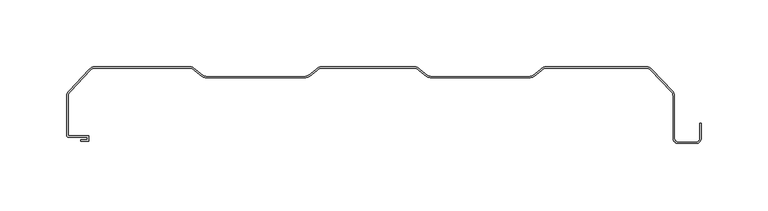
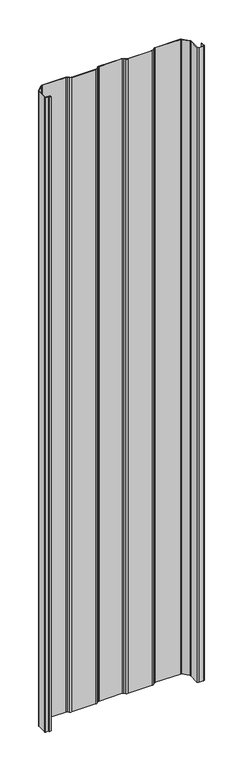
"""IFC4 building model written with IfcOpenShell, lengths in millimetres: proxy geometry."""

from ifc_helpers import new_model, si_unit, frame, origin, place, context, project, spatial, polyline, circle_curve, source, transform, mapped, element, save
from ifc_brep_helpers import plane_surface, cylinder_surface, revolved_surface, advanced_brep


def generic_models_20bece6d(model_context):
    return source(origin(), model_context, "Body", "AdvancedBrep", [
        advanced_brep(
        [(-217.1638134, -55.7125, 0.0), (-217.1638134, -55.7125, 2000.0), (-217.1638134, -54.7125, 2000.0), (-217.1638134, -54.7125, 0.0), (-212.15, -54.7125, 2000.0), (-212.15, -54.7125, 0.0), (-211.15, -55.7125, 0.0), (-211.15, -55.7125, 2000.0), (-212.15, -52.6625, 2000.0), (-212.15, -52.6625, 0.0), (-211.15, -51.6625, 0.0), (-211.15, -51.6625, 2000.0), (-226.2, -52.6625, 2000.0), (-226.2, -52.6625, 0.0), (-226.2, -51.6625, 0.0), (-226.2, -51.6625, 2000.0), (-227.5, -51.3625, 2000.0), (-227.5, -51.3625, 0.0), (-226.5, -51.3625, 0.0), (-226.5, -51.3625, 2000.0), (-227.5, -21.9923882, 2000.0), (-227.5, -21.9923882, 0.0), (-226.5, -21.9923882, 0.0), (-226.5, -21.9923882, 2000.0), (-225.8012193, -17.8911688, 2000.0), (-225.8012193, -17.8911688, 0.0), (-225.0941125, -18.5982756, 0.0), (-225.0941125, -18.5982756, 2000.0), (-210.6088312, -1.6987807, 2000.0), (-210.6088312, -1.6987807, 0.0), (-209.8795642, -2.38301, 0.0), (-209.8795642, -2.38301, 2000.0), (-206.5076118, 0.0, 2000.0), (-206.5076118, 0.0, 0.0), (-206.5076118, -1.0, 0.0), (-206.5076118, -1.0, 2000.0), (-135.5847763, 0.0, 2000.0), (-135.5847763, 0.0, 0.0), (-135.5847763, -1.0, 0.0), (-135.5847763, -1.0, 2000.0), (-131.483557, -1.6987807, 2000.0), (-131.483557, -1.6987807, 0.0), (-132.1906638, -2.4058875, 0.0), (-132.1906638, -2.4058875, 2000.0), (-127.2911688, -5.1911688, 2000.0), (-127.2911688, -5.1911688, 0.0), (-127.931216, -5.9595044, 0.0), (-127.931216, -5.9595044, 2000.0), (-122.2, -7.3, 2000.0), (-122.2, -7.3, 0.0), (-122.2, -8.3, 0.0), (-122.2, -8.3, 2000.0), (-50.2, -7.3, 2000.0), (-50.2, -7.3, 0.0), (-50.2, -8.3, 0.0), (-50.2, -8.3, 2000.0), (-45.1088312, -5.1911688, 2000.0), (-45.1088312, -5.1911688, 0.0), (-44.4017244, -5.8982756, 0.0), (-44.4017244, -5.8982756, 2000.0), (-40.916443, -1.6987807, 2000.0), (-40.916443, -1.6987807, 0.0), (-40.2763958, -2.4671163, 0.0), (-40.2763958, -2.4671163, 2000.0), (-36.8152237, 0.0, 2000.0), (-36.8152237, 0.0, 0.0), (-36.8152237, -1.0, 0.0), (-36.8152237, -1.0, 2000.0), (32.4152237, 0.0, 2000.0), (32.4152237, 0.0, 0.0), (32.4152237, -1.0, 0.0), (32.4152237, -1.0, 2000.0), (36.516443, -1.6987807, 2000.0), (36.516443, -1.6987807, 0.0), (35.8093362, -2.4058875, 0.0), (35.8093362, -2.4058875, 2000.0), (40.7088312, -5.1911688, 2000.0), (40.7088312, -5.1911688, 0.0), (40.068784, -5.9595044, 0.0), (40.068784, -5.9595044, 2000.0), (45.8, -7.3, 2000.0), (45.8, -7.3, 0.0), (45.8, -8.3, 0.0), (45.8, -8.3, 2000.0), (117.8, -7.3, 2000.0), (117.8, -7.3, 0.0), (117.8, -8.3, 0.0), (117.8, -8.3, 2000.0), (122.8911688, -5.1911688, 2000.0), (122.8911688, -5.1911688, 0.0), (123.5982756, -5.8982756, 0.0), (123.5982756, -5.8982756, 2000.0), (127.083557, -1.6987807, 2000.0), (127.083557, -1.6987807, 0.0), (127.7236042, -2.4671163, 0.0), (127.7236042, -2.4671163, 2000.0), (131.1847763, 0.0, 2000.0), (131.1847763, 0.0, 0.0), (131.1847763, -1.0, 0.0), (131.1847763, -1.0, 2000.0), (206.1076118, 0.0, 2000.0), (206.1076118, 0.0, 0.0), (206.1076118, -1.0, 0.0), (206.1076118, -1.0, 2000.0), (210.2088312, -1.6987807, 2000.0), (210.2088312, -1.6987807, 0.0), (209.5017244, -2.4058875, 0.0), (209.5017244, -2.4058875, 2000.0), (225.4012193, -17.8911688, 2000.0), (225.4012193, -17.8911688, 0.0), (224.6719524, -18.5753981, 0.0), (224.6719524, -18.5753981, 2000.0), (227.1, -21.9923882, 0.0), (227.1, -53.6, 0.0), (229.8, -56.3, 0.0), (243.4, -56.3, 0.0), (246.1, -53.6, 0.0), (246.1, -42.3, 0.0), (247.1, -42.3, 0.0), (247.1, -53.6, 0.0), (243.4, -57.3, 0.0), (229.8, -57.3, 0.0), (226.1, -53.6, 0.0), (226.1, -21.9923882, 0.0), (227.1, -21.9923882, 2000.0), (226.1, -21.9923882, 2000.0), (226.1, -53.6, 2000.0), (229.8, -57.3, 2000.0), (243.4, -57.3, 2000.0), (247.1, -53.6, 2000.0), (247.1, -42.3, 2000.0), (246.1, -42.3, 2000.0), (246.1, -53.6, 2000.0), (243.4, -56.3, 2000.0), (229.8, -56.3, 2000.0), (227.1, -53.6, 2000.0)],
        [
            (0, 1),
            (1, 2),
            (2, 3),
            (3, 0),
            (2, 4),
            (4, 5),
            (5, 3),
            (0, 6),
            (6, 7),
            (7, 1),
            (4, 8),
            (8, 9),
            (9, 5),
            (6, 10),
            (10, 11),
            (11, 7),
            (8, 12),
            (12, 13),
            (13, 9),
            (10, 14),
            (14, 15),
            (15, 11),
            (16, 17),
            (17, 13, circle_curve(frame((-226.2, -51.3625, 0.0), z_axis=(0.0, 0.0, 1.0), x_axis=(0.0, -1.0, 0.0)), 1.3)),
            (12, 16, circle_curve(frame((-226.2, -51.3625, 2000.0), z_axis=(0.0, 0.0, -1.0), x_axis=(0.0, -1.0, 0.0)), 1.3)),
            (18, 19),
            (19, 15, circle_curve(frame((-226.2, -51.3625, 2000.0), z_axis=(0.0, 0.0, 1.0), x_axis=(0.0, -1.0, 0.0)), 0.3)),
            (14, 18, circle_curve(frame((-226.2, -51.3625, 0.0), z_axis=(0.0, 0.0, -1.0), x_axis=(0.0, -1.0, 0.0)), 0.3)),
            (16, 20),
            (20, 21),
            (21, 17),
            (18, 22),
            (22, 23),
            (23, 19),
            (24, 25),
            (25, 21, circle_curve(frame((-221.7, -21.9923882, 0.0), z_axis=(0.0, 0.0, 1.0), x_axis=(-1.0, 0.0, 0.0)), 5.8)),
            (20, 24, circle_curve(frame((-221.7, -21.9923882, 2000.0), z_axis=(0.0, 0.0, -1.0), x_axis=(-1.0, 0.0, 0.0)), 5.8)),
            (26, 27),
            (27, 23, circle_curve(frame((-221.7, -21.9923882, 2000.0), z_axis=(0.0, 0.0, 1.0), x_axis=(-1.0, 0.0, 0.0)), 4.8)),
            (22, 26, circle_curve(frame((-221.7, -21.9923882, 0.0), z_axis=(0.0, 0.0, -1.0), x_axis=(-1.0, 0.0, 0.0)), 4.8)),
            (24, 28),
            (28, 29),
            (29, 25),
            (26, 30),
            (30, 31),
            (31, 27),
            (32, 33),
            (33, 29, circle_curve(frame((-206.5076118, -5.8, 0.0), z_axis=(0.0, 0.0, 1.0), x_axis=(-0.7071067810912797, 0.7071067812818155, 0.0)), 5.8)),
            (28, 32, circle_curve(frame((-206.5076118, -5.8, 2000.0), z_axis=(0.0, 0.0, -1.0), x_axis=(-0.7071067810912797, 0.7071067812818155, 0.0)), 5.8)),
            (34, 35),
            (35, 31, circle_curve(frame((-206.5076118, -5.8, 2000.0), z_axis=(0.0, 0.0, 1.0), x_axis=(-0.7071067810912797, 0.7071067812818155, 0.0)), 4.8)),
            (30, 34, circle_curve(frame((-206.5076118, -5.8, 0.0), z_axis=(0.0, 0.0, -1.0), x_axis=(-0.7071067810912797, 0.7071067812818155, 0.0)), 4.8)),
            (32, 36),
            (36, 37),
            (37, 33),
            (34, 38),
            (38, 39),
            (39, 35),
            (40, 41),
            (41, 37, circle_curve(frame((-135.5847763, -5.8, 0.0), z_axis=(0.0, 0.0, 1.0), x_axis=(0.0, 1.0, 0.0)), 5.8)),
            (36, 40, circle_curve(frame((-135.5847763, -5.8, 2000.0), z_axis=(0.0, 0.0, -1.0), x_axis=(0.0, 1.0, 0.0)), 5.8)),
            (42, 43),
            (43, 39, circle_curve(frame((-135.5847763, -5.8, 2000.0), z_axis=(0.0, 0.0, 1.0), x_axis=(0.0, 1.0, 0.0)), 4.8)),
            (38, 42, circle_curve(frame((-135.5847763, -5.8, 0.0), z_axis=(0.0, 0.0, -1.0), x_axis=(0.0, 1.0, 0.0)), 4.8)),
            (40, 44),
            (44, 45),
            (45, 41),
            (42, 46),
            (46, 47),
            (47, 43),
            (48, 49),
            (49, 45, circle_curve(frame((-122.2, -0.1, 0.0), z_axis=(0.0, 0.0, -1.0), x_axis=(-0.7071067812434185, -0.7071067811296765, 0.0)), 7.2)),
            (44, 48, circle_curve(frame((-122.2, -0.1, 2000.0), z_axis=(0.0, 0.0, 1.0), x_axis=(-0.7071067812434185, -0.7071067811296765, 0.0)), 7.2)),
            (50, 51),
            (51, 47, circle_curve(frame((-122.2, -0.1, 2000.0), z_axis=(0.0, 0.0, -1.0), x_axis=(-0.7071067812434185, -0.7071067811296765, 0.0)), 8.2)),
            (46, 50, circle_curve(frame((-122.2, -0.1, 0.0), z_axis=(0.0, 0.0, 1.0), x_axis=(-0.7071067812434185, -0.7071067811296765, 0.0)), 8.2)),
            (48, 52),
            (52, 53),
            (53, 49),
            (50, 54),
            (54, 55),
            (55, 51),
            (56, 57),
            (57, 53, circle_curve(frame((-50.2, -0.1, 0.0), z_axis=(0.0, 0.0, -1.0), x_axis=(0.0, -1.0, 0.0)), 7.2)),
            (52, 56, circle_curve(frame((-50.2, -0.1, 2000.0), z_axis=(0.0, 0.0, 1.0), x_axis=(0.0, -1.0, 0.0)), 7.2)),
            (58, 59),
            (59, 55, circle_curve(frame((-50.2, -0.1, 2000.0), z_axis=(0.0, 0.0, -1.0), x_axis=(0.0, -1.0, 0.0)), 8.2)),
            (54, 58, circle_curve(frame((-50.2, -0.1, 0.0), z_axis=(0.0, 0.0, 1.0), x_axis=(0.0, -1.0, 0.0)), 8.2)),
            (56, 60),
            (60, 61),
            (61, 57),
            (58, 62),
            (62, 63),
            (63, 59),
            (64, 65),
            (65, 61, circle_curve(frame((-36.8152237, -5.8, 0.0), z_axis=(0.0, 0.0, 1.0), x_axis=(-0.7071067811886018, 0.7071067811844932, 0.0)), 5.8)),
            (60, 64, circle_curve(frame((-36.8152237, -5.8, 2000.0), z_axis=(0.0, 0.0, -1.0), x_axis=(-0.7071067811886018, 0.7071067811844932, 0.0)), 5.8)),
            (66, 67),
            (67, 63, circle_curve(frame((-36.8152237, -5.8, 2000.0), z_axis=(0.0, 0.0, 1.0), x_axis=(-0.7071067811886018, 0.7071067811844932, 0.0)), 4.8)),
            (62, 66, circle_curve(frame((-36.8152237, -5.8, 0.0), z_axis=(0.0, 0.0, -1.0), x_axis=(-0.7071067811886018, 0.7071067811844932, 0.0)), 4.8)),
            (64, 68),
            (68, 69),
            (69, 65),
            (66, 70),
            (70, 71),
            (71, 67),
            (72, 73),
            (73, 69, circle_curve(frame((32.4152237, -5.8, 0.0), z_axis=(0.0, 0.0, 1.0), x_axis=(0.0, 1.0, 0.0)), 5.8)),
            (68, 72, circle_curve(frame((32.4152237, -5.8, 2000.0), z_axis=(0.0, 0.0, -1.0), x_axis=(0.0, 1.0, 0.0)), 5.8)),
            (74, 75),
            (75, 71, circle_curve(frame((32.4152237, -5.8, 2000.0), z_axis=(0.0, 0.0, 1.0), x_axis=(0.0, 1.0, 0.0)), 4.8)),
            (70, 74, circle_curve(frame((32.4152237, -5.8, 0.0), z_axis=(0.0, 0.0, -1.0), x_axis=(0.0, 1.0, 0.0)), 4.8)),
            (72, 76),
            (76, 77),
            (77, 73),
            (74, 78),
            (78, 79),
            (79, 75),
            (80, 81),
            (81, 77, circle_curve(frame((45.8, -0.1, 0.0), z_axis=(0.0, 0.0, -1.0), x_axis=(-0.7071067811686623, -0.7071067812044327, 0.0)), 7.2)),
            (76, 80, circle_curve(frame((45.8, -0.1, 2000.0), z_axis=(0.0, 0.0, 1.0), x_axis=(-0.7071067811686623, -0.7071067812044327, 0.0)), 7.2)),
            (82, 83),
            (83, 79, circle_curve(frame((45.8, -0.1, 2000.0), z_axis=(0.0, 0.0, -1.0), x_axis=(-0.7071067811686623, -0.7071067812044327, 0.0)), 8.2)),
            (78, 82, circle_curve(frame((45.8, -0.1, 0.0), z_axis=(0.0, 0.0, 1.0), x_axis=(-0.7071067811686623, -0.7071067812044327, 0.0)), 8.2)),
            (80, 84),
            (84, 85),
            (85, 81),
            (82, 86),
            (86, 87),
            (87, 83),
            (88, 89),
            (89, 85, circle_curve(frame((117.8, -0.1, 0.0), z_axis=(0.0, 0.0, -1.0), x_axis=(0.0, -1.0, 0.0)), 7.2)),
            (84, 88, circle_curve(frame((117.8, -0.1, 2000.0), z_axis=(0.0, 0.0, 1.0), x_axis=(0.0, -1.0, 0.0)), 7.2)),
            (90, 91),
            (91, 87, circle_curve(frame((117.8, -0.1, 2000.0), z_axis=(0.0, 0.0, -1.0), x_axis=(0.0, -1.0, 0.0)), 8.2)),
            (86, 90, circle_curve(frame((117.8, -0.1, 0.0), z_axis=(0.0, 0.0, 1.0), x_axis=(0.0, -1.0, 0.0)), 8.2)),
            (88, 92),
            (92, 93),
            (93, 89),
            (90, 94),
            (94, 95),
            (95, 91),
            (96, 97),
            (97, 93, circle_curve(frame((131.1847763, -5.8, 0.0), z_axis=(0.0, 0.0, 1.0), x_axis=(-0.7071067810362011, 0.707106781336894, 0.0)), 5.8)),
            (92, 96, circle_curve(frame((131.1847763, -5.8, 2000.0), z_axis=(0.0, 0.0, -1.0), x_axis=(-0.7071067810362011, 0.707106781336894, 0.0)), 5.8)),
            (98, 99),
            (99, 95, circle_curve(frame((131.1847763, -5.8, 2000.0), z_axis=(0.0, 0.0, 1.0), x_axis=(-0.7071067810362011, 0.707106781336894, 0.0)), 4.8)),
            (94, 98, circle_curve(frame((131.1847763, -5.8, 0.0), z_axis=(0.0, 0.0, -1.0), x_axis=(-0.7071067810362011, 0.707106781336894, 0.0)), 4.8)),
            (96, 100),
            (100, 101),
            (101, 97),
            (98, 102),
            (102, 103),
            (103, 99),
            (104, 105),
            (105, 101, circle_curve(frame((206.1076118, -5.8, 0.0), z_axis=(0.0, 0.0, 1.0), x_axis=(0.0, 1.0, 0.0)), 5.8)),
            (100, 104, circle_curve(frame((206.1076118, -5.8, 2000.0), z_axis=(0.0, 0.0, -1.0), x_axis=(0.0, 1.0, 0.0)), 5.8)),
            (106, 107),
            (107, 103, circle_curve(frame((206.1076118, -5.8, 2000.0), z_axis=(0.0, 0.0, 1.0), x_axis=(0.0, 1.0, 0.0)), 4.8)),
            (102, 106, circle_curve(frame((206.1076118, -5.8, 0.0), z_axis=(0.0, 0.0, -1.0), x_axis=(0.0, 1.0, 0.0)), 4.8)),
            (104, 108),
            (108, 109),
            (109, 105),
            (106, 110),
            (110, 111),
            (111, 107),
            (112, 113),
            (113, 114, circle_curve(frame((229.8, -53.6, 0.0), z_axis=(0.0, 0.0, 1.0), x_axis=(-1.0, 0.0, 0.0)), 2.7)),
            (114, 115),
            (115, 116, circle_curve(frame((243.4, -53.6, 0.0), z_axis=(0.0, 0.0, 1.0), x_axis=(0.0, -1.0, 0.0)), 2.7)),
            (116, 117),
            (117, 118),
            (118, 119),
            (119, 120, circle_curve(frame((243.4, -53.6, 0.0), z_axis=(0.0, 0.0, -1.0), x_axis=(0.0, -1.0, 0.0)), 3.7)),
            (120, 121),
            (121, 122, circle_curve(frame((229.8, -53.6, 0.0), z_axis=(0.0, 0.0, -1.0), x_axis=(-1.0, 0.0, 0.0)), 3.7)),
            (122, 123),
            (123, 110, circle_curve(frame((221.3, -21.9923882, 0.0), z_axis=(0.0, 0.0, 1.0), x_axis=(0.7071067810663783, 0.7071067813067168, 0.0)), 4.8)),
            (109, 112, circle_curve(frame((221.3, -21.9923882, 0.0), z_axis=(0.0, 0.0, -1.0), x_axis=(0.7071067810663783, 0.7071067813067168, 0.0)), 5.8)),
            (124, 112),
            (108, 124, circle_curve(frame((221.3, -21.9923882, 2000.0), z_axis=(0.0, 0.0, -1.0), x_axis=(0.7071067810663783, 0.7071067813067168, 0.0)), 5.8)),
            (125, 126),
            (126, 127, circle_curve(frame((229.8, -53.6, 2000.0), z_axis=(0.0, 0.0, 1.0), x_axis=(-1.0, 0.0, 0.0)), 3.7)),
            (127, 128),
            (128, 129, circle_curve(frame((243.4, -53.6, 2000.0), z_axis=(0.0, 0.0, 1.0), x_axis=(0.0, -1.0, 0.0)), 3.7)),
            (129, 130),
            (130, 131),
            (131, 132),
            (132, 133, circle_curve(frame((243.4, -53.6, 2000.0), z_axis=(0.0, 0.0, -1.0), x_axis=(0.0, -1.0, 0.0)), 2.7)),
            (133, 134),
            (134, 135, circle_curve(frame((229.8, -53.6, 2000.0), z_axis=(0.0, 0.0, -1.0), x_axis=(-1.0, 0.0, 0.0)), 2.7)),
            (135, 124),
            (111, 125, circle_curve(frame((221.3, -21.9923882, 2000.0), z_axis=(0.0, 0.0, -1.0), x_axis=(0.7071067810663783, 0.7071067813067168, 0.0)), 4.8)),
            (123, 125),
            (135, 113),
            (122, 126),
            (134, 114),
            (121, 127),
            (133, 115),
            (120, 128),
            (132, 116),
            (119, 129),
            (117, 131),
            (130, 118),
        ],
        [
            plane_surface(frame((-217.1638134, -54.7125, 0.0), z_axis=(-1.0, 0.0, 0.0), x_axis=(0.0, 0.0, 1.0))),
            plane_surface(frame((-217.1638134, -54.7125, 0.0), z_axis=(0.0, 1.0, 0.0), x_axis=(1.0, 0.0, 0.0))),
            plane_surface(frame((-217.1638134, -55.7125, 2000.0), z_axis=(0.0, -1.0, 0.0), x_axis=(1.0, 0.0, 0.0))),
            plane_surface(frame((-212.15, -54.7125, 0.0), z_axis=(-1.0, 0.0, 0.0), x_axis=(0.0, 1.0, 0.0))),
            plane_surface(frame((-211.15, -55.7125, 2000.0), z_axis=(1.0, 0.0, 0.0), x_axis=(0.0, 1.0, 0.0))),
            plane_surface(frame((-212.15, -52.6625, 0.0), z_axis=(0.0, -1.0, 0.0), x_axis=(-1.0, 0.0, 0.0))),
            plane_surface(frame((-211.15, -51.6625, 2000.0), z_axis=(0.0, 1.0, 0.0), x_axis=(-1.0, 0.0, 0.0))),
            cylinder_surface(frame((-226.2, -51.3625, 0.0), z_axis=(0.0, 0.0, 1.0), x_axis=(0.0, -1.0, 0.0)), 1.3),
            revolved_surface(polyline([(-226.2, -51.662499999999994, 2000.0), (-226.2, -51.662499999999994, 0.0)]), (-226.2, -51.3625, 0.0), (0.0, 0.0, 1.0)),
            plane_surface(frame((-227.5, -51.3625, 0.0), z_axis=(-1.0, 0.0, 0.0), x_axis=(0.0, 1.0, 0.0))),
            plane_surface(frame((-226.5, -51.3625, 2000.0), z_axis=(1.0, 0.0, 0.0), x_axis=(0.0, 1.0, 0.0))),
            cylinder_surface(frame((-221.7, -21.9923882, 0.0), z_axis=(0.0, 0.0, 1.0), x_axis=(-1.0, 0.0, 0.0)), 5.8),
            revolved_surface(polyline([(-226.5, -21.9923882, 2000.0), (-226.5, -21.9923882, 0.0)]), (-221.7, -21.9923882, 0.0), (0.0, 0.0, 1.0)),
            plane_surface(frame((-225.8012193, -17.8911688, 0.0), z_axis=(-0.7292669380357263, 0.6842292986185231, 0.0), x_axis=(0.6842292986185231, 0.7292669380357263, 0.0))),
            plane_surface(frame((-225.0937537, -18.5986344, 2000.0), z_axis=(0.7292669380357305, -0.6842292986185188, 0.0), x_axis=(0.6842292986185188, 0.7292669380357305, 0.0))),
            cylinder_surface(frame((-206.5076118, -5.8, 0.0), z_axis=(0.0, 0.0, 1.0), x_axis=(-0.7071067810912797, 0.7071067812818155, 0.0)), 5.8),
            revolved_surface(polyline([(-209.90172434923815, -2.4058874498472855, 2000.0), (-209.90172434923815, -2.4058874498472855, 0.0)]), (-206.5076118, -5.8, 0.0), (0.0, 0.0, 1.0)),
            plane_surface(frame((-206.5076118, 0.0, 0.0), z_axis=(0.0, 1.0, 0.0), x_axis=(1.0, 0.0, 0.0))),
            plane_surface(frame((-206.5076118, -1.0, 2000.0), z_axis=(0.0, -1.0, 0.0), x_axis=(1.0, 0.0, 0.0))),
            cylinder_surface(frame((-135.5847763, -5.8, 0.0), z_axis=(0.0, 0.0, 1.0), x_axis=(0.0, 1.0, 0.0)), 5.8),
            revolved_surface(polyline([(-135.5847763, -1.0, 2000.0), (-135.5847763, -1.0, 0.0)]), (-135.5847763, -5.8, 0.0), (0.0, 0.0, 1.0)),
            plane_surface(frame((-131.483557, -1.6987807, 0.0), z_axis=(0.6400471747161509, 0.7683356129569118, 0.0), x_axis=(0.7683356129569118, -0.6400471747161509, 0.0))),
            plane_surface(frame((-132.1935912, -2.4088149, 2000.0), z_axis=(-0.6400471747161621, -0.7683356129569022, 0.0), x_axis=(0.7683356129569022, -0.6400471747161621, 0.0))),
            revolved_surface(polyline([(-127.29116882495262, -5.191168824133671, 0.0), (-127.29116882495262, -5.191168824133671, 2000.0)]), (-122.2, -0.1, 0.0), (0.0, 0.0, -1.0)),
            cylinder_surface(frame((-122.2, -0.1, 0.0), z_axis=(0.0, 0.0, -1.0), x_axis=(-0.7071067812434185, -0.7071067811296765, 0.0)), 8.2),
            plane_surface(frame((-122.2, -7.3, 0.0), z_axis=(0.0, 1.0, 0.0), x_axis=(1.0, 0.0, 0.0))),
            plane_surface(frame((-122.2, -8.3, 2000.0), z_axis=(0.0, -1.0, 0.0), x_axis=(1.0, 0.0, 0.0))),
            revolved_surface(polyline([(-50.2, -7.3, 0.0), (-50.2, -7.3, 2000.0)]), (-50.2, -0.1, 0.0), (0.0, 0.0, -1.0)),
            cylinder_surface(frame((-50.2, -0.1, 0.0), z_axis=(0.0, 0.0, -1.0), x_axis=(0.0, -1.0, 0.0)), 8.2),
            plane_surface(frame((-45.1088312, -5.1911688, 0.0), z_axis=(-0.6400471747099639, 0.7683356129620657, 0.0), x_axis=(0.7683356129620657, 0.6400471747099639, 0.0))),
            plane_surface(frame((-44.3987969, -5.9012031, 2000.0), z_axis=(0.64004717470991, -0.7683356129621105, 0.0), x_axis=(0.7683356129621105, 0.64004717470991, 0.0))),
            cylinder_surface(frame((-36.8152237, -5.8, 0.0), z_axis=(0.0, 0.0, 1.0), x_axis=(-0.7071067811886018, 0.7071067811844932, 0.0)), 5.8),
            revolved_surface(polyline([(-40.20933624970529, -2.4058874503144323, 2000.0), (-40.20933624970529, -2.4058874503144323, 0.0)]), (-36.8152237, -5.8, 0.0), (0.0, 0.0, 1.0)),
            plane_surface(frame((-36.8152237, 0.0, 0.0), z_axis=(0.0, 1.0, 0.0), x_axis=(1.0, 0.0, 0.0))),
            plane_surface(frame((-36.8152237, -1.0, 2000.0), z_axis=(0.0, -1.0, 0.0), x_axis=(1.0, 0.0, 0.0))),
            cylinder_surface(frame((32.4152237, -5.8, 0.0), z_axis=(0.0, 0.0, 1.0), x_axis=(0.0, 1.0, 0.0)), 5.8),
            revolved_surface(polyline([(32.4152237, -1.0, 2000.0), (32.4152237, -1.0, 0.0)]), (32.4152237, -5.8, 0.0), (0.0, 0.0, 1.0)),
            plane_surface(frame((36.516443, -1.6987807, 0.0), z_axis=(0.6400471747098971, 0.7683356129621213, 0.0), x_axis=(0.7683356129621213, -0.6400471747098971, 0.0))),
            plane_surface(frame((35.8064088, -2.4088149, 2000.0), z_axis=(-0.6400471747098482, -0.768335612962162, 0.0), x_axis=(0.768335612962162, -0.6400471747098482, 0.0))),
            revolved_surface(polyline([(40.70883117558563, -5.191168824671915, 0.0), (40.70883117558563, -5.191168824671915, 2000.0)]), (45.8, -0.1, 0.0), (0.0, 0.0, -1.0)),
            cylinder_surface(frame((45.8, -0.1, 0.0), z_axis=(0.0, 0.0, -1.0), x_axis=(-0.7071067811686623, -0.7071067812044327, 0.0)), 8.2),
            plane_surface(frame((45.8, -7.3, 0.0), z_axis=(0.0, 1.0, 0.0), x_axis=(1.0, 0.0, 0.0))),
            plane_surface(frame((45.8, -8.3, 2000.0), z_axis=(0.0, -1.0, 0.0), x_axis=(1.0, 0.0, 0.0))),
            revolved_surface(polyline([(117.8, -7.3, 0.0), (117.8, -7.3, 2000.0)]), (117.8, -0.1, 0.0), (0.0, 0.0, -1.0)),
            cylinder_surface(frame((117.8, -0.1, 0.0), z_axis=(0.0, 0.0, -1.0), x_axis=(0.0, -1.0, 0.0)), 8.2),
            plane_surface(frame((122.8911688, -5.1911688, 0.0), z_axis=(-0.6400471747161706, 0.7683356129568953, 0.0), x_axis=(0.7683356129568953, 0.6400471747161706, 0.0))),
            plane_surface(frame((123.6012031, -5.9012031, 2000.0), z_axis=(0.6400471747161443, -0.7683356129569172, 0.0), x_axis=(0.7683356129569172, 0.6400471747161443, 0.0))),
            cylinder_surface(frame((131.1847763, -5.8, 0.0), z_axis=(0.0, 0.0, 1.0), x_axis=(-0.7071067810362011, 0.707106781336894, 0.0)), 5.8),
            revolved_surface(polyline([(127.79066375102624, -2.405887449582909, 2000.0), (127.79066375102624, -2.405887449582909, 0.0)]), (131.1847763, -5.8, 0.0), (0.0, 0.0, 1.0)),
            plane_surface(frame((131.1847763, 0.0, 0.0), z_axis=(0.0, 1.0, 0.0), x_axis=(1.0, 0.0, 0.0))),
            plane_surface(frame((131.1847763, -1.0, 2000.0), z_axis=(0.0, -1.0, 0.0), x_axis=(1.0, 0.0, 0.0))),
            cylinder_surface(frame((206.1076118, -5.8, 0.0), z_axis=(0.0, 0.0, 1.0), x_axis=(0.0, 1.0, 0.0)), 5.8),
            revolved_surface(polyline([(206.1076118, -1.0, 2000.0), (206.1076118, -1.0, 0.0)]), (206.1076118, -5.8, 0.0), (0.0, 0.0, 1.0)),
            plane_surface(frame((210.2088312, -1.6987807, 0.0), z_axis=(0.7292669380045654, 0.6842292986517352, 0.0), x_axis=(0.6842292986517352, -0.7292669380045654, 0.0))),
            plane_surface(frame((209.5013655, -2.4062463, 2000.0), z_axis=(-0.729266938004547, -0.6842292986517549, 0.0), x_axis=(0.6842292986517549, -0.729266938004547, 0.0))),
            plane_surface(frame((221.3, -21.9923882, 0.0), z_axis=(0.0, 0.0, -1.0), x_axis=(0.7071067810663783, 0.7071067813067168, 0.0))),
            cylinder_surface(frame((221.3, -21.9923882, 0.0), z_axis=(0.0, 0.0, 1.0), x_axis=(0.7071067810663783, 0.7071067813067168, 0.0)), 5.8),
            plane_surface(frame((221.3, -21.9923882, 2000.0), z_axis=(0.0, 0.0, 1.0), x_axis=(0.7071067810663783, 0.7071067813067168, 0.0))),
            revolved_surface(polyline([(224.6941125491186, -18.59827564972776, 2000.0), (224.6941125491186, -18.59827564972776, 0.0)]), (221.3, -21.9923882, 0.0), (0.0, 0.0, 1.0)),
            plane_surface(frame((227.1, -21.9923882, 0.0), z_axis=(1.0, 0.0, 0.0), x_axis=(0.0, -1.0, 0.0))),
            plane_surface(frame((226.1, -21.9923882, 2000.0), z_axis=(-1.0, 0.0, 0.0), x_axis=(0.0, -1.0, 0.0))),
            revolved_surface(polyline([(227.10000000000002, -53.6, 0.0), (227.10000000000002, -53.6, 2000.0)]), (229.8, -53.6, 0.0), (0.0, 0.0, -1.0)),
            cylinder_surface(frame((229.8, -53.6, 0.0), z_axis=(0.0, 0.0, -1.0), x_axis=(-1.0, 0.0, 0.0)), 3.7),
            plane_surface(frame((229.8, -56.3, 0.0), z_axis=(0.0, 1.0, 0.0), x_axis=(1.0, 0.0, 0.0))),
            plane_surface(frame((229.8, -57.3, 2000.0), z_axis=(0.0, -1.0, 0.0), x_axis=(1.0, 0.0, 0.0))),
            revolved_surface(polyline([(243.4, -56.300000000000004, 0.0), (243.4, -56.300000000000004, 2000.0)]), (243.4, -53.6, 0.0), (0.0, 0.0, -1.0)),
            cylinder_surface(frame((243.4, -53.6, 0.0), z_axis=(0.0, 0.0, -1.0), x_axis=(0.0, -1.0, 0.0)), 3.7),
            plane_surface(frame((246.1, -42.3, 0.0), z_axis=(0.0, 1.0, 0.0), x_axis=(0.0, 0.0, 1.0))),
            plane_surface(frame((246.1, -53.6, 0.0), z_axis=(-1.0, 0.0, 0.0), x_axis=(0.0, 1.0, 0.0))),
            plane_surface(frame((247.1, -53.6, 2000.0), z_axis=(1.0, 0.0, 0.0), x_axis=(0.0, 1.0, 0.0))),
        ],
        [
            (0, [[1, 2, 3, 4]]),
            (1, [[5, 6, 7, -3]]),
            (2, [[8, 9, 10, -1]]),
            (3, [[11, 12, 13, -6]]),
            (4, [[14, 15, 16, -9]]),
            (5, [[17, 18, 19, -12]]),
            (6, [[20, 21, 22, -15]]),
            (7, [[23, 24, -18, 25]]),
            (8, [[26, 27, -21, 28]]),
            (9, [[29, 30, 31, -23]]),
            (10, [[32, 33, 34, -26]]),
            (11, [[35, 36, -30, 37]]),
            (12, [[38, 39, -33, 40]]),
            (13, [[41, 42, 43, -35]]),
            (14, [[44, 45, 46, -38]]),
            (15, [[47, 48, -42, 49]]),
            (16, [[50, 51, -45, 52]]),
            (17, [[53, 54, 55, -47]]),
            (18, [[56, 57, 58, -50]]),
            (19, [[59, 60, -54, 61]]),
            (20, [[62, 63, -57, 64]]),
            (21, [[65, 66, 67, -59]]),
            (22, [[68, 69, 70, -62]]),
            (23, [[71, 72, -66, 73]]),
            (24, [[74, 75, -69, 76]]),
            (25, [[77, 78, 79, -71]]),
            (26, [[80, 81, 82, -74]]),
            (27, [[83, 84, -78, 85]]),
            (28, [[86, 87, -81, 88]]),
            (29, [[89, 90, 91, -83]]),
            (30, [[92, 93, 94, -86]]),
            (31, [[95, 96, -90, 97]]),
            (32, [[98, 99, -93, 100]]),
            (33, [[101, 102, 103, -95]]),
            (34, [[104, 105, 106, -98]]),
            (35, [[107, 108, -102, 109]]),
            (36, [[110, 111, -105, 112]]),
            (37, [[113, 114, 115, -107]]),
            (38, [[116, 117, 118, -110]]),
            (39, [[119, 120, -114, 121]]),
            (40, [[122, 123, -117, 124]]),
            (41, [[125, 126, 127, -119]]),
            (42, [[128, 129, 130, -122]]),
            (43, [[131, 132, -126, 133]]),
            (44, [[134, 135, -129, 136]]),
            (45, [[137, 138, 139, -131]]),
            (46, [[140, 141, 142, -134]]),
            (47, [[143, 144, -138, 145]]),
            (48, [[146, 147, -141, 148]]),
            (49, [[149, 150, 151, -143]]),
            (50, [[152, 153, 154, -146]]),
            (51, [[155, 156, -150, 157]]),
            (52, [[158, 159, -153, 160]]),
            (53, [[161, 162, 163, -155]]),
            (54, [[164, 165, 166, -158]]),
            (55, [[167, 168, 169, 170, 171, 172, 173, 174, 175, 176, 177, 178, -164, -160, -152, -148, -140, -136, -128, -124, -116, -112, -104, -100, -92, -88, -80, -76, -68, -64, -56, -52, -44, -40, -32, -28, -20, -14, -8, -4, -7, -13, -19, -24, -31, -36, -43, -48, -55, -60, -67, -72, -79, -84, -91, -96, -103, -108, -115, -120, -127, -132, -139, -144, -151, -156, -163, 179]]),
            (56, [[180, -179, -162, 181]]),
            (57, [[182, 183, 184, 185, 186, 187, 188, 189, 190, 191, 192, -181, -161, -157, -149, -145, -137, -133, -125, -121, -113, -109, -101, -97, -89, -85, -77, -73, -65, -61, -53, -49, -41, -37, -29, -25, -17, -11, -5, -2, -10, -16, -22, -27, -34, -39, -46, -51, -58, -63, -70, -75, -82, -87, -94, -99, -106, -111, -118, -123, -130, -135, -142, -147, -154, -159, -166, 193]]),
            (58, [[194, -193, -165, -178]]),
            (59, [[-192, 195, -167, -180]]),
            (60, [[-177, 196, -182, -194]]),
            (61, [[197, -168, -195, -191]]),
            (62, [[198, -183, -196, -176]]),
            (63, [[-190, 199, -169, -197]]),
            (64, [[-175, 200, -184, -198]]),
            (65, [[201, -170, -199, -189]]),
            (66, [[202, -185, -200, -174]]),
            (67, [[-172, 203, -187, 204]]),
            (68, [[-188, -203, -171, -201]]),
            (69, [[-173, -204, -186, -202]]),
        ],
    ),
    ])


if __name__ == "__main__":
    model = new_model("IFC4")
    model_context = context("Model", 3, world=origin())
    ifc_project = project(units=[si_unit("LENGTHUNIT", "METRE", prefix="MILLI")], contexts=[model_context])
    site = spatial("IfcSite", under=ifc_project)
    building = spatial("IfcBuilding", under=site)
    placement = place(None, origin())
    generic_models_shape = generic_models_20bece6d(model_context)
    element("IfcBuildingElementProxy", 1, Name="Generic Models", at=placement, inside=building, context=model_context, shape_type="MappedRepresentation", body=[
        mapped(generic_models_shape, transform((0.0, 0.0, 0.0), x_axis=(1.0, 0.0, 0.0), y_axis=(0.0, 1.0, 0.0), z_axis=(0.0, 0.0, 1.0))),
    ])
    save(model, "model.ifc")
